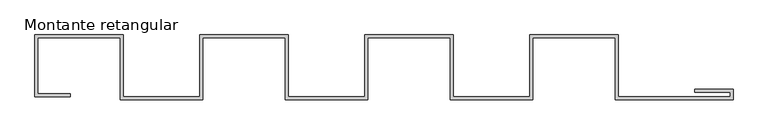
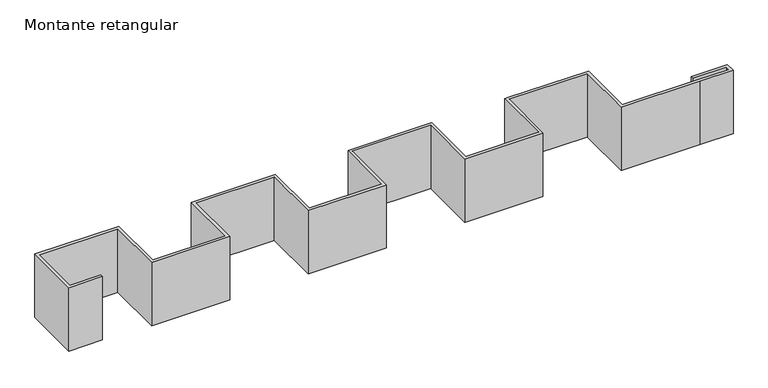
"""IFC4 building model written with IfcOpenShell, lengths in millimetres: member geometry, Montante retangular."""

from ifc_helpers import new_model, si_unit, frame, origin, place, context, project, spatial, polyline, outline, extrude, source, transform, mapped, element, save


def montante_retangular_7fc7a829(model_context):
    return source(origin(), model_context, "Body", "SweptSolid", [
        extrude(outline(polyline([(-8400.0, 2100.0), (-11200.0, 2100.0), (-11200.0, 200.0), (-10100.0, 200.0), (-10100.0, 100.0), (-11300.0, 100.0), (-11300.0, 2200.0), (-8300.0, 2200.0), (-8300.0, 100.0), (-5700.0, 100.0), (-5700.0, 2200.0), (-2700.0, 2200.0), (-2700.0, 100.0), (-100.0, 100.0), (-100.0, 2200.0), (2900.0, 2200.0), (2900.0, 100.0), (5500.0, 100.0), (5500.0, 2200.0), (5600.0, 2200.0), (8500.0, 2200.0), (8500.0, 100.0), (11200.0, 100.0), (12300.0, 100.0), (12300.0, 250.0), (11100.0, 250.0), (11100.0, 350.0), (12400.0, 350.0), (12400.0, 0.0), (11200.0, 0.0), (8400.0, 0.0), (8400.0, 2100.0), (5600.0, 2100.0), (5600.0, 0.0), (2800.0, 0.0), (2800.0, 2100.0), (0.0, 2100.0), (0.0, 0.0), (-2800.0, 0.0), (-2800.0, 2100.0), (-5600.0, 2100.0), (-5600.0, 0.0), (-8400.0, 0.0), (-8400.0, 2100.0)])), frame((0.0, 0.0, -2400.0), z_axis=(0.0, 0.0, 1.0), x_axis=(1.0, 0.0, 0.0)), (0.0, 0.0, 1.0), 2400.0),
    ])


if __name__ == "__main__":
    model = new_model("IFC4")
    model_context = context("Model", 3, world=origin())
    ifc_project = project(units=[si_unit("LENGTHUNIT", "METRE", prefix="MILLI")], contexts=[model_context])
    site = spatial("IfcSite", under=ifc_project)
    building = spatial("IfcBuilding", under=site)
    placement = place(None, origin())
    montante_retangular_shape = montante_retangular_7fc7a829(model_context)
    element("IfcMember", 1, ObjectType="Montante retangular", at=placement, inside=building, context=model_context, shape_type="MappedRepresentation", body=[
        mapped(montante_retangular_shape, transform((0.0, 0.0, 0.0), x_axis=(1.0, 0.0, 0.0), y_axis=(0.0, 1.0, 0.0), z_axis=(0.0, 0.0, 1.0))),
    ])
    save(model, "model.ifc")
